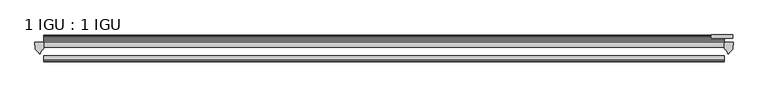
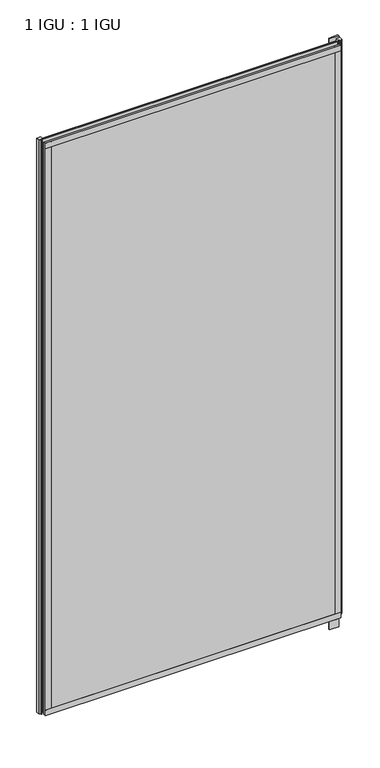
"""IFC4 building model written with IfcOpenShell, lengths in millimetres: plate geometry, 1 IGU : 1 IGU."""

from ifc_helpers import new_model, si_unit, point, frame, frame_2d, origin, place, context, project, spatial, polyline, circle_curve, trimmed, segment, composite_curve, outline, extrude, source, transform, mapped, element, save


def plate_1_igu_1_igu_39ff4557(model_context):
    return source(origin(), model_context, "Body", "SweptSolid", [
        extrude(outline(polyline([(599.5769219, -11.6085937), (599.5769219, -18.8576359), (-397.3691094, -18.8576359), (-397.3691094, -11.6085937), (599.5769219, -11.6085937)])), frame((0.0, 0.0, -19.05), z_axis=(0.0, 0.0, 1.0), x_axis=(1.0, 0.0, 0.0)), (0.0, 0.0, 1.0), 2038.3500001),
        extrude(outline(polyline([(-397.3691094, -30.7093937), (599.5769219, -30.7093937), (599.5769219, -37.0085937), (-397.3691094, -37.0085937), (-397.3691094, -30.7093937)])), frame((0.0, 0.0, -19.05), z_axis=(0.0, 0.0, 1.0), x_axis=(1.0, 0.0, 0.0)), (0.0, 0.0, 1.0), 2038.3500001),
        extrude(outline(polyline([(612.2769219, -0.4960937), (612.2769219, -5.3578125), (580.5269219, -5.3578125), (580.5269219, -0.4960937), (612.2769219, -0.4960937)])), frame((0.0, 0.0, -76.2), z_axis=(0.0, 0.0, 1.0), x_axis=(1.0, 0.0, 0.0)), (0.0, 0.0, 1.0), 76.2),
        extrude(outline(polyline([(580.5269219, -5.3578125), (580.5269219, -0.4960937), (612.2769219, -0.4960937), (612.2769219, -5.3578125), (580.5269219, -5.3578125)])), frame((0.0, 0.0, 2000.2500001), z_axis=(0.0, 0.0, 1.0), x_axis=(1.0, 0.0, 0.0)), (0.0, 0.0, 1.0), 28.575),
        extrude(outline(composite_curve([segment(polyline([(612.654831, -11.6101465), (612.2769219, -21.3502133), (606.3388686, -27.6095865)]), True, "CONTINUOUS"), segment(trimmed(circle_curve(frame_2d((605.6660625, -27.2518492)), 0.762), [point((606.3388686, -27.6095865))], [point((604.9373583, -27.4746364))], False, "CARTESIAN"), True, "CONTINUOUS"), segment(polyline([(604.9373583, -27.4746364), (603.6755238, -23.3488397)]), True, "CONTINUOUS"), segment(trimmed(circle_curve(frame_2d((605.8574809, -16.3834724)), 7.2991286), [point((603.6755238, -23.3488397))], [point((599.5771005, -20.1028944))], False, "CARTESIAN"), True, "CONTINUOUS"), segment(polyline([(599.5771005, -20.1028944), (599.5771005, -12.664425)]), True, "CONTINUOUS"), segment(trimmed(circle_curve(frame_2d((605.858355, -16.3827796)), 7.2993369), [point((599.5771005, -12.664425))], [point((600.3354669, -11.6101465))], False, "CARTESIAN"), True, "CONTINUOUS"), segment(polyline([(600.3354669, -11.6101465), (612.654831, -11.6101465)]), True, "CONTINUOUS")], self_intersect=False)), frame((0.0, 0.0, -19.05), z_axis=(0.0, 0.0, 1.0), x_axis=(1.0, 0.0, 0.0)), (0.0, 0.0, 1.0), 2045.4874001),
        extrude(outline(composite_curve([segment(polyline([(-397.3691094, -11.610702), (-397.3691094, -20.1014769)]), True, "CONTINUOUS"), segment(trimmed(circle_curve(frame_2d((-403.6503037, -16.3829847)), 7.2993552), [point((-397.3691094, -20.1014769))], [point((-401.4680591, -23.3484994))], False, "CARTESIAN"), True, "CONTINUOUS"), segment(polyline([(-401.4680591, -23.3484994), (-402.7295458, -27.4746364)]), True, "CONTINUOUS"), segment(trimmed(circle_curve(frame_2d((-403.45825, -27.2518492)), 0.762), [point((-402.7295458, -27.4746364))], [point((-404.1310561, -27.6095865))], False, "CARTESIAN"), True, "CONTINUOUS"), segment(polyline([(-404.1310561, -27.6095865), (-410.0691094, -21.3502133), (-410.4470185, -11.610702), (-397.3691094, -11.610702)]), True, "CONTINUOUS")], self_intersect=False)), frame((0.0, 0.0, -19.05), z_axis=(0.0, 0.0, 1.0), x_axis=(1.0, 0.0, 0.0)), (0.0, 0.0, 1.0), 2045.4874001),
        extrude(outline(polyline([(-11.6085937, -15.24), (-11.6085937, 2.8161565), (-0.5298609, 1.2591422), (-0.5298609, -0.6645794), (-5.258589, 0.0), (-5.258589, -4.826), (-1.575589, -4.826), (-1.575589, -7.874), (-5.258589, -7.874), (-5.258589, -13.208), (-3.099589, -13.208), (-3.099589, -15.24), (-11.6085937, -15.24)])), frame((-397.3691094, 0.0, 0.0), z_axis=(1.0, 0.0, 0.0), x_axis=(0.0, 1.0, 0.0)), (0.0, 0.0, 1.0), 996.9460312),
        extrude(outline(polyline([(-397.3691094, -39.2945937), (-397.3691094, -37.0085937), (599.5769219, -37.0085937), (599.5769219, -39.2945937), (-397.3691094, -39.2945937)])), frame((0.0, 0.0, -19.05), z_axis=(0.0, 0.0, 1.0), x_axis=(1.0, 0.0, 0.0)), (0.0, 0.0, 1.0), 19.05),
        extrude(outline(composite_curve([segment(trimmed(circle_curve(frame_2d((-6.5285937, 2011.721876)), 1.27), [point((-7.4547667, 2012.590843))], [point((-5.2585937, 2011.721876))], False, "CARTESIAN"), True, "CONTINUOUS"), segment(polyline([(-5.2585937, 2011.721876), (-5.2585937, 2008.5050001), (-3.3544944, 2005.8297863), (-5.2585937, 2005.484551), (-5.2585937, 2000.2500001), (-2.385052, 2000.2500001)]), True, "CONTINUOUS"), segment(trimmed(circle_curve(frame_2d((-3.2589487, 1999.7317718)), 1.016), [point((-2.385052, 2000.2500001))], [point((-3.236916, 1998.7160107))], False, "CARTESIAN"), True, "CONTINUOUS"), segment(trimmed(circle_curve(frame_2d((-2.5575611, 1967.3961025)), 31.3272753), [point((-3.236916, 1998.7160107))], [point((-11.6085937, 1997.3873843))], True, "CARTESIAN"), True, "CONTINUOUS"), segment(polyline([(-11.6085937, 1997.3873843), (-11.6085937, 2008.1635609), (-7.4547667, 2012.590843)]), True, "CONTINUOUS")], self_intersect=False)), frame((-397.3691094, 0.0, 0.0), z_axis=(1.0, 0.0, 0.0), x_axis=(0.0, 1.0, 0.0)), (0.0, 0.0, 1.0), 996.9460312),
        extrude(outline(polyline([(-397.3691094, -39.2945937), (-397.3691094, -37.0085937), (599.5769219, -37.0085937), (599.5769219, -39.2945937), (-397.3691094, -39.2945937)])), frame((0.0, 0.0, 2000.2500001), z_axis=(0.0, 0.0, 1.0), x_axis=(1.0, 0.0, 0.0)), (0.0, 0.0, 1.0), 19.05),
        extrude(outline(polyline([(580.5269219, -37.0085937), (599.5769219, -37.0085937), (599.5769219, -39.2945938), (580.5269219, -39.2945938), (580.5269219, -37.0085937)])), frame((0.0, 0.0, -19.05), z_axis=(0.0, 0.0, 1.0), x_axis=(1.0, 0.0, 0.0)), (0.0, 0.0, 1.0), 2038.3500001),
        extrude(outline(polyline([(-397.3691094, -39.2945937), (-397.3691094, -37.0085937), (-378.3191094, -37.0085937), (-378.3191094, -39.2945937), (-397.3691094, -39.2945937)])), frame((0.0, 0.0, -19.05), z_axis=(0.0, 0.0, 1.0), x_axis=(1.0, 0.0, 0.0)), (0.0, 0.0, 1.0), 2038.3500001),
    ])


if __name__ == "__main__":
    model = new_model("IFC4")
    model_context = context("Model", 3, world=origin())
    ifc_project = project(units=[si_unit("LENGTHUNIT", "METRE", prefix="MILLI")], contexts=[model_context])
    site = spatial("IfcSite", under=ifc_project)
    building = spatial("IfcBuilding", under=site)
    placement = place(None, origin())
    plate_1_igu_1_igu_shape = plate_1_igu_1_igu_39ff4557(model_context)
    element("IfcPlate", 1, ObjectType="1 IGU : 1 IGU", at=placement, inside=building, context=model_context, shape_type="MappedRepresentation", body=[
        mapped(plate_1_igu_1_igu_shape, transform((0.0, 0.0, 0.0), x_axis=(1.0, 0.0, 0.0), y_axis=(0.0, 1.0, 0.0), z_axis=(0.0, 0.0, 1.0))),
    ])
    save(model, "model.ifc")
